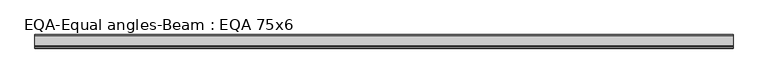
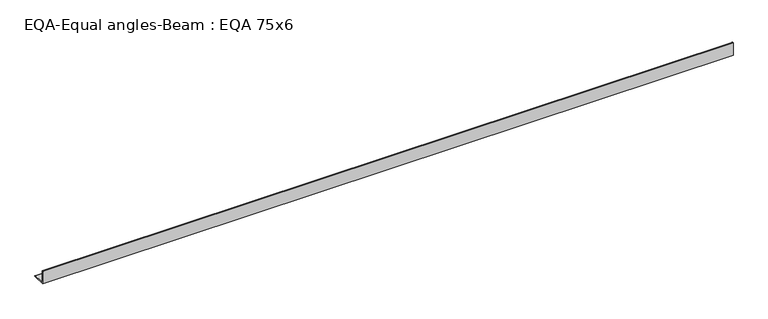
"""IFC4 building model written with IfcOpenShell, lengths in millimetres: beam geometry, EQA-Equal angles-Beam : EQA 75x6."""

import ifcopenshell
import ifcopenshell.guid

model = None  # the IFC model being written
_history = None  # IfcOwnerHistory: only IFC2X3 demands one
_inside = {}  # id of a spatial element -> (the spatial element, [elements in it])
_under = {}  # id of a project, library or spatial element -> (it, [spatial elements below it])
_declared = {}  # id of a project -> (the project, [libraries it declares])
_typed = {}  # id of a type object -> (the type object, [elements of that type])
_made_of = {}  # id of a material, layer set ... -> (it, [elements and type objects made of it])


def new_model(schema):
    """Start an empty IFC model of exactly this schema.

    Asked for "IFC4X3", IfcOpenShell would pick the latest addendum, in which some entities
    have other attributes; the version numbers below select the first issue.
    IFC2X3 requires an IfcOwnerHistory on every rooted entity: one is made here for all.
    """
    global model, _history
    if schema == "IFC4X3":
        model = ifcopenshell.file(schema_version=(4, 3, 0, 0))
    else:
        model = ifcopenshell.file(schema=schema)
    _inside.clear()
    _under.clear()
    _declared.clear()
    _typed.clear()
    _made_of.clear()
    _history = None
    if model.schema == "IFC2X3":
        org = make("IfcOrganization", Name="unknown")
        user = make(
            "IfcPersonAndOrganization",
            ThePerson=make("IfcPerson", FamilyName="unknown"),
            TheOrganization=org,
        )
        app = make(
            "IfcApplication",
            ApplicationDeveloper=org,
            Version="unknown",
            ApplicationFullName="unknown",
            ApplicationIdentifier="unknown",
        )
        _history = make(
            "IfcOwnerHistory",
            OwningUser=user,
            OwningApplication=app,
            ChangeAction="ADDED",
            CreationDate=0,
        )
    return model


def make(cls, **values):
    """One entity of the class cls with the attributes given. An attribute that is None is left unset."""
    return model.create_entity(
        cls, **{name: value for name, value in values.items() if value is not None}
    )


def rooted(cls, **values):
    """An entity with a GlobalId (a new one), such as an element, a storey or a relation."""
    return make(cls, GlobalId=ifcopenshell.guid.new(), OwnerHistory=_history, **values)


def si_unit(unit_type, name, prefix=None):
    """IfcSIUnit, for example si_unit("LENGTHUNIT", "METRE", prefix="MILLI")."""
    return make("IfcSIUnit", UnitType=unit_type, Prefix=prefix, Name=name)


def assignment(units):
    """IfcUnitAssignment: the units of a project."""
    return None if units is None else make("IfcUnitAssignment", Units=units)


def point(xyz):
    """IfcCartesianPoint."""
    return None if xyz is None else make("IfcCartesianPoint", Coordinates=xyz)


def direction(xyz):
    """IfcDirection."""
    return None if xyz is None else make("IfcDirection", DirectionRatios=xyz)


def frame(location, z_axis=None, x_axis=None):
    """IfcAxis2Placement3D, a coordinate frame: its origin and axes. An axis left out is left unset."""
    return make(
        "IfcAxis2Placement3D",
        Location=point(location),
        Axis=direction(z_axis),
        RefDirection=direction(x_axis),
    )


def frame_2d(location, x_axis=None):
    """IfcAxis2Placement2D, a coordinate frame in the plane: its origin and x axis."""
    return make(
        "IfcAxis2Placement2D", Location=point(location), RefDirection=direction(x_axis)
    )


def origin():
    """The frame at (0, 0, 0) with its axes left unset."""
    return frame((0.0, 0.0, 0.0))


def place(relative_to, where):
    """IfcLocalPlacement: puts the frame where relative to a parent placement (None: the world)."""
    return make(
        "IfcLocalPlacement", PlacementRelTo=relative_to, RelativePlacement=where
    )


def context(
    kind, dimensions, precision=None, world=None, true_north=None, identifier=None
):
    """IfcGeometricRepresentationContext, for example the 3D "Model" context."""
    return make(
        "IfcGeometricRepresentationContext",
        ContextIdentifier=identifier,
        ContextType=kind,
        CoordinateSpaceDimension=dimensions,
        Precision=precision,
        WorldCoordinateSystem=world,
        TrueNorth=true_north,
    )


def project(units=None, contexts=None):
    """IfcProject with its units and contexts."""
    return rooted(
        "IfcProject",
        Name="project",
        RepresentationContexts=contexts,
        UnitsInContext=assignment(units),
    )


def spatial(cls, under=None, at=None, **own):
    """A site, building, storey or space (cls), placed at a placement, below another one or the project."""
    s = rooted(cls, ObjectPlacement=at, **own)
    if under is not None:
        _under.setdefault(under.id(), (under, []))[1].append(s)
    return s


def polyline(points):
    """IfcPolyline through the points."""
    return make("IfcPolyline", Points=[point(p) for p in points])


def circle_curve(where, radius):
    """IfcCircle in the frame where."""
    return make("IfcCircle", Position=where, Radius=radius)


def trimmed(basis, trim1, trim2, sense, master):
    """IfcTrimmedCurve: the piece of a basis curve between two trims."""
    return make(
        "IfcTrimmedCurve",
        BasisCurve=basis,
        Trim1=trim1,
        Trim2=trim2,
        SenseAgreement=sense,
        MasterRepresentation=master,
    )


def segment(curve, same_sense, transition):
    """IfcCompositeCurveSegment."""
    return make(
        "IfcCompositeCurveSegment",
        Transition=transition,
        SameSense=same_sense,
        ParentCurve=curve,
    )


def composite_curve(segments, self_intersect=None):
    """IfcCompositeCurve: segments joined end to end."""
    return make("IfcCompositeCurve", Segments=segments, SelfIntersect=self_intersect)


def outline(outer, holes=None, kind="AREA"):
    """IfcArbitraryClosedProfileDef: a profile drawn as a closed curve; with holes, ...WithVoids."""
    if holes is None:
        return make("IfcArbitraryClosedProfileDef", ProfileType=kind, OuterCurve=outer)
    return make(
        "IfcArbitraryProfileDefWithVoids",
        ProfileType=kind,
        OuterCurve=outer,
        InnerCurves=holes,
    )


def extrude(swept, where, along, depth):
    """IfcExtrudedAreaSolid: the profile swept, set in the frame where, extruded along a direction by depth."""
    return make(
        "IfcExtrudedAreaSolid",
        SweptArea=swept,
        Position=where,
        ExtrudedDirection=direction(along),
        Depth=depth,
    )


def shape(context_of_items, identifier, shape_type, items):
    """IfcShapeRepresentation: the items that make up one representation, for example the "Body"."""
    return make(
        "IfcShapeRepresentation",
        ContextOfItems=context_of_items,
        RepresentationIdentifier=identifier,
        RepresentationType=shape_type,
        Items=items,
    )


def source(mapping_origin, context_of_items, identifier, shape_type, items):
    """IfcRepresentationMap: a shape defined once, which mapped items show again and again."""
    return make(
        "IfcRepresentationMap",
        MappingOrigin=mapping_origin,
        MappedRepresentation=shape(context_of_items, identifier, shape_type, items),
    )


def transform(
    local_origin,
    x_axis=None,
    y_axis=None,
    z_axis=None,
    scale=None,
    scale2=None,
    scale3=None,
    uniform=True,
):
    """IfcCartesianTransformationOperator3D, or its non-uniform kind. x_axis, y_axis, z_axis: its Axis1, 2, 3."""
    if uniform:
        return make(
            "IfcCartesianTransformationOperator3D",
            Axis1=direction(x_axis),
            Axis2=direction(y_axis),
            LocalOrigin=point(local_origin),
            Scale=scale,
            Axis3=direction(z_axis),
        )
    return make(
        "IfcCartesianTransformationOperator3DnonUniform",
        Axis1=direction(x_axis),
        Axis2=direction(y_axis),
        LocalOrigin=point(local_origin),
        Scale=scale,
        Axis3=direction(z_axis),
        Scale2=scale2,
        Scale3=scale3,
    )


def mapped(mapping_source, mapping_target):
    """IfcMappedItem: shows the shape of a source again, moved by a transform."""
    return make(
        "IfcMappedItem", MappingSource=mapping_source, MappingTarget=mapping_target
    )


def made_of(thing, what):
    """Note that an element or type object is made of a material, layer set ...; save() writes the relation."""
    if what is not None:
        _made_of.setdefault(what.id(), (what, []))[1].append(thing)
    return thing


def element(
    cls,
    number,
    at=None,
    inside=None,
    cuts=None,
    type_object=None,
    material=None,
    context=None,
    identifier="Body",
    shape_type=None,
    held_by="IfcProductDefinitionShape",
    body=None,
    shapes=None,
    **own,
):
    """One element of the class cls, such as IfcWall. Its Tag is "e" and its number.

    at: its placement. inside: the storey or other place that contains it. cuts: it is an
    opening in that element (IfcRelVoidsElement). A single representation is given by context,
    identifier, shape_type and body (its items); several are given by shapes. held_by: the class
    of the entity that holds the representations. save() writes the other relations.
    """
    e = rooted(cls, Tag="e%d" % number, ObjectPlacement=at, **own)
    if body is not None:
        shapes = [shape(context, identifier, shape_type, body)]
    if shapes is not None:
        e.Representation = make(held_by, Representations=shapes)
    if inside is not None:
        _inside.setdefault(inside.id(), (inside, []))[1].append(e)
    if cuts is not None:
        rooted(
            "IfcRelVoidsElement", RelatingBuildingElement=cuts, RelatedOpeningElement=e
        )
    if type_object is not None:
        _typed.setdefault(type_object.id(), (type_object, []))[1].append(e)
    return made_of(e, material)


def aggregate(whole, parts):
    """IfcRelAggregates: a whole, such as a stair, and the parts it consists of."""
    return rooted("IfcRelAggregates", RelatingObject=whole, RelatedObjects=parts)


def save(model, path):
    """Write the relations noted so far, then the file.

    IfcRelAggregates (storeys below a building ...), IfcRelContainedInSpatialStructure (elements
    in a storey), IfcRelDefinesByType, IfcRelAssociatesMaterial and IfcRelDeclares: one each for
    every whole, place, type object, material and project.
    """
    for whole, parts in _under.values():
        aggregate(whole, parts)
    for where, things in _inside.values():
        rooted(
            "IfcRelContainedInSpatialStructure",
            RelatedElements=things,
            RelatingStructure=where,
        )
    for kind, things in _typed.values():
        rooted("IfcRelDefinesByType", RelatedObjects=things, RelatingType=kind)
    for what, things in _made_of.values():
        rooted("IfcRelAssociatesMaterial", RelatedObjects=things, RelatingMaterial=what)
    for by, libraries in _declared.values():
        rooted("IfcRelDeclares", RelatingContext=by, RelatedDefinitions=libraries)
    model.write(path)


def eqa_equal_angles_beam_eqa_75x6_3e633730(model_context):
    return source(origin(), model_context, "Body", "SweptSolid", [
        extrude(outline(composite_curve([segment(polyline([(-20.5, -20.5), (-20.5, 54.5), (-19.0, 54.5)]), True, "CONTINUOUS"), segment(trimmed(circle_curve(frame_2d((-19.0, 50.0)), 4.5), [point((-19.0, 54.5))], [point((-14.5, 50.0))], False, "CARTESIAN"), True, "CONTINUOUS"), segment(polyline([(-14.5, 50.0), (-14.5, -5.5)]), True, "CONTINUOUS"), segment(trimmed(circle_curve(frame_2d((-5.5, -5.5)), 9.0), [point((-14.5, -5.5))], [point((-5.5, -14.5))], True, "CARTESIAN"), True, "CONTINUOUS"), segment(polyline([(-5.5, -14.5), (50.0, -14.5)]), True, "CONTINUOUS"), segment(trimmed(circle_curve(frame_2d((50.0, -19.0)), 4.5), [point((50.0, -14.5))], [point((54.5, -19.0))], False, "CARTESIAN"), True, "CONTINUOUS"), segment(polyline([(54.5, -19.0), (54.5, -20.5), (-20.5, -20.5)]), True, "CONTINUOUS")], self_intersect=False)), frame((-1839.8049689, 0.0, 0.0), z_axis=(1.0, 0.0, 0.0), x_axis=(0.0, 1.0, 0.0)), (0.0, 0.0, 1.0), 3851.0887755),
    ])


if __name__ == "__main__":
    model = new_model("IFC4")
    model_context = context("Model", 3, world=origin())
    ifc_project = project(units=[si_unit("LENGTHUNIT", "METRE", prefix="MILLI")], contexts=[model_context])
    site = spatial("IfcSite", under=ifc_project)
    building = spatial("IfcBuilding", under=site)
    placement = place(None, origin())
    eqa_equal_angles_beam_eqa_75x6_shape = eqa_equal_angles_beam_eqa_75x6_3e633730(model_context)
    element("IfcBeam", 1, ObjectType="EQA-Equal angles-Beam : EQA 75x6", at=placement, inside=building, context=model_context, shape_type="MappedRepresentation", body=[
        mapped(eqa_equal_angles_beam_eqa_75x6_shape, transform((0.0, 0.0, 0.0), x_axis=(1.0, 0.0, 0.0), y_axis=(0.0, 1.0, 0.0), z_axis=(0.0, 0.0, 1.0))),
    ])
    save(model, "model.ifc")
